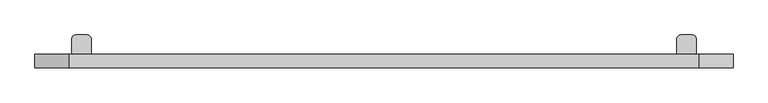
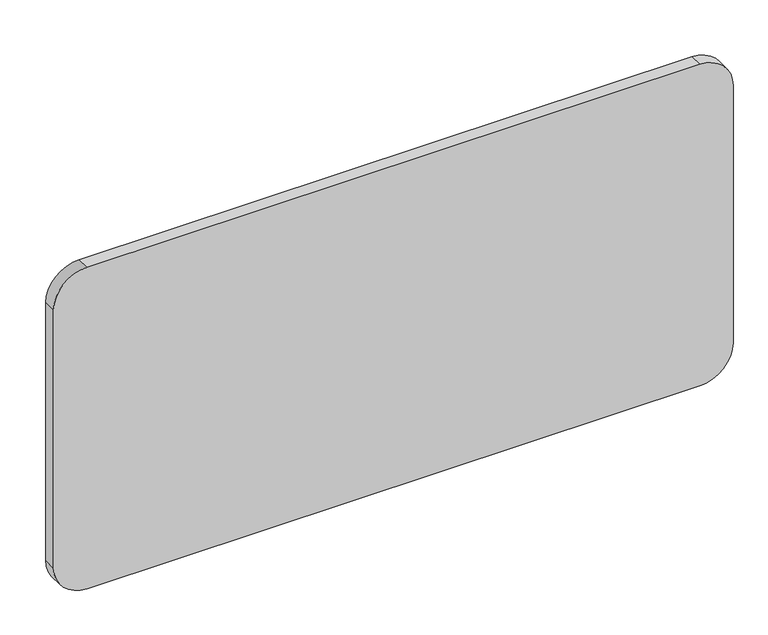
"""IFC4 building model written with IfcOpenShell, lengths in millimetres: furniture geometry."""

from ifc_helpers import new_model, si_unit, point, frame, frame_2d, origin, place, context, project, spatial, polyline, circle_curve, trimmed, segment, composite_curve, outline, extrude, source, transform, mapped, element, save
from ifc_brep_helpers import plane_surface, cylinder_surface, revolved_surface, advanced_brep


def furniture_6fd92be5(model_context):
    return source(origin(), model_context, "Body", "SolidModel", [
        advanced_brep(
        [(1325.5425429, 47.5118173, 752.9985146), (1325.5425429, 44.45, 752.9985146), (1375.5425432, 44.45, 752.9985146), (1375.5425432, 47.5118173, 752.9985146), (1375.5425432, 47.5118173, 462.9546875), (1365.5425359, 47.5118173, 452.9984759), (1335.5425502, 47.5118173, 452.9984759), (1325.5425429, 47.5118173, 462.9984833), (1375.5425432, 44.45, 462.9546875), (1325.5425429, 44.45, 462.9546875), (1335.5425502, 44.45, 452.9984759), (1365.5425359, 44.45, 452.9984759)],
        [
            (0, 1),
            (1, 2),
            (2, 3),
            (3, 0),
            (3, 4),
            (4, 5, circle_curve(frame((1365.5425359, 47.5118173, 462.9984833), z_axis=(0.0, 1.0, 0.0), x_axis=(1.0, 0.0, 0.0)), 10.0000073)),
            (5, 6),
            (6, 7, circle_curve(frame((1335.5425502, 47.5118173, 462.9984833), z_axis=(0.0, 1.0, 0.0), x_axis=(1.0, 0.0, 0.0)), 10.0000073)),
            (7, 0),
            (2, 8),
            (8, 4),
            (1, 9),
            (9, 10, circle_curve(frame((1335.5425502, 44.45, 462.9984833), z_axis=(0.0, -1.0, 0.0), x_axis=(1.0, 0.0, 0.0)), 10.0000073)),
            (10, 11),
            (11, 8, circle_curve(frame((1365.5425359, 44.45, 462.9984833), z_axis=(0.0, -1.0, 0.0), x_axis=(1.0, 0.0, 0.0)), 10.0000073)),
            (7, 9),
            (6, 10),
            (5, 11),
        ],
        [
            plane_surface(frame((1325.5425429, 47.5118173, 752.9985146), z_axis=(0.0, 0.0, 1.0), x_axis=(0.0, -1.0, 0.0))),
            plane_surface(frame((1375.5425432, 47.5118173, 752.9985146), z_axis=(0.0, 1.0, 0.0), x_axis=(0.0, 0.0, -1.0))),
            plane_surface(frame((1375.5425432, 44.45, 752.9985146), z_axis=(1.0, 0.0, 0.0), x_axis=(0.0, 0.0, -1.0))),
            plane_surface(frame((1325.5425429, 44.45, 752.9985146), z_axis=(0.0, -1.0, 0.0), x_axis=(0.0, 0.0, -1.0))),
            plane_surface(frame((1325.5425429, 47.5118173, 752.9985146), z_axis=(-1.0, 0.0, 0.0), x_axis=(0.0, 0.0, -1.0))),
            cylinder_surface(frame((1335.5425502, 44.45, 462.9984833), z_axis=(0.0, 1.0, 0.0), x_axis=(1.0, 0.0, 0.0)), 10.0000073),
            plane_surface(frame((1365.5425359, 47.5118173, 452.9984759), z_axis=(0.0, 0.0, -1.0), x_axis=(0.0, -1.0, 0.0))),
            cylinder_surface(frame((1365.5425359, 44.45, 462.9984833), z_axis=(0.0, 1.0, 0.0), x_axis=(1.0, 0.0, 0.0)), 10.0000073),
        ],
        [
            (0, [[1, 2, 3, 4]]),
            (1, [[-4, 5, 6, 7, 8, 9]]),
            (2, [[-3, 10, 11, -5]]),
            (3, [[-2, 12, 13, 14, 15, -10]]),
            (4, [[-1, -9, 16, -12]]),
            (5, [[-8, 17, -13, -16]]),
            (6, [[-7, 18, -14, -17]]),
            (7, [[-6, -11, -15, -18]]),
        ],
    ),
        extrude(outline(composite_curve([segment(trimmed(circle_curve(frame_2d((1350.542543, 69.5118189)), 4.0000058), [point((1354.5425489, 69.5118189))], [point((1346.5425372, 69.5118189))], False, "CARTESIAN"), True, "CONTINUOUS"), segment(trimmed(circle_curve(frame_2d((1350.542543, 69.5118189)), 4.0000058), [point((1346.5425372, 69.5118189))], [point((1354.5425489, 69.5118189))], False, "CARTESIAN"), True, "CONTINUOUS")], self_intersect=False)), frame((0.0, 0.0, 689.9985083), z_axis=(0.0, 0.0, 1.0), x_axis=(1.0, 0.0, 0.0)), (0.0, 0.0, 1.0), 13.0000059),
        extrude(outline(composite_curve([segment(trimmed(circle_curve(frame_2d((1350.542543, 69.5118189)), 7.7753653), [point((1358.3179084, 69.5118189))], [point((1342.7671777, 69.5118189))], False, "CARTESIAN"), True, "CONTINUOUS"), segment(trimmed(circle_curve(frame_2d((1350.542543, 69.5118189)), 7.7753653), [point((1342.7671777, 69.5118189))], [point((1358.3179084, 69.5118189))], False, "CARTESIAN"), True, "CONTINUOUS")], self_intersect=False)), frame((0.0, 0.0, 702.9985142), z_axis=(0.0, 0.0, 1.0), x_axis=(1.0, 0.0, 0.0)), (0.0, 0.0, 1.0), 10.0000437),
        extrude(outline(composite_curve([segment(trimmed(circle_curve(frame_2d((1350.542543, 69.5118189)), 14.974039), [point((1365.5165821, 69.5118189))], [point((1335.568504, 69.5118189))], False, "CARTESIAN"), True, "CONTINUOUS"), segment(trimmed(circle_curve(frame_2d((1350.542543, 69.5118189)), 14.974039), [point((1335.568504, 69.5118189))], [point((1365.5165821, 69.5118189))], False, "CARTESIAN"), True, "CONTINUOUS")], self_intersect=False)), frame((0.0, 0.0, 718.7038782), z_axis=(0.0, 0.0, 1.0), x_axis=(1.0, 0.0, 0.0)), (0.0, 0.0, 1.0), 2.0950029),
        advanced_brep(
        [(1365.5165821, 69.5118189, 718.7038782), (1335.568504, 69.5118189, 718.7038782), (1354.5425489, 69.5118189, 715.9985201), (1346.5425372, 69.5118189, 715.9985201)],
        [
            (0, 1, circle_curve(frame((1350.542543, 69.5118189, 718.7038782), z_axis=(0.0, 0.0, 1.0), x_axis=(1.0, 0.0, 0.0)), 14.974039)),
            (1, 0, circle_curve(frame((1350.542543, 69.5118189, 718.7038782), z_axis=(0.0, 0.0, 1.0), x_axis=(-1.0, 0.0, 0.0)), 14.974039)),
            (2, 3, circle_curve(frame((1350.542543, 69.5118189, 715.9985201), z_axis=(0.0, 0.0, -1.0), x_axis=(-1.0, 0.0, 0.0)), 4.0000058)),
            (3, 2, circle_curve(frame((1350.542543, 69.5118189, 715.9985201), z_axis=(0.0, 0.0, -1.0), x_axis=(1.0, 0.0, 0.0)), 4.0000058)),
            (2, 0),
            (1, 3),
        ],
        [
            plane_surface(frame((1350.542543, 69.5118189, 718.7038782), z_axis=(0.0, 0.0, 1.0), x_axis=(0.0, 1.0, 0.0))),
            plane_surface(frame((1350.542543, 69.5118189, 715.9985201), z_axis=(0.0, 0.0, -1.0), x_axis=(0.0, 1.0, 0.0))),
            revolved_surface(polyline([(1354.5425488149297, 69.5118189, 715.9985201), (1365.5165821, 69.5118189, 718.7038782)]), (1350.542543, 69.5118189, 715.0124243), (0.0, 0.0, 1.0)),
            revolved_surface(polyline([(1346.5425372117832, 69.5118189, 715.9985201), (1335.568504, 69.5118189, 718.7038782)]), (1350.542543, 69.5118189, 715.0124243), (0.0, 0.0, 1.0)),
        ],
        [
            (0, [[1, 2]]),
            (1, [[3, 4]]),
            (2, [[-3, 5, -2, 6]]),
            (3, [[-4, -6, -1, -5]]),
        ],
    ),
        extrude(outline(composite_curve([segment(trimmed(circle_curve(frame_2d((1365.3401849, 84.3097802)), 10.2023583), [point((1365.3401849, 94.5121385))], [point((1375.5425432, 84.3097802))], False, "CARTESIAN"), True, "CONTINUOUS"), segment(polyline([(1375.5425432, 84.3097802), (1375.5425432, 47.5118173), (1325.5425429, 47.5118173), (1325.5425429, 84.324975)]), True, "CONTINUOUS"), segment(trimmed(circle_curve(frame_2d((1335.7297063, 84.324975)), 10.1871635), [point((1325.5425429, 84.324975))], [point((1335.7297063, 94.5121385))], False, "CARTESIAN"), True, "CONTINUOUS"), segment(polyline([(1335.7297063, 94.5121385), (1365.3401849, 94.5121385)]), True, "CONTINUOUS")], self_intersect=False)), frame((0.0, 0.0, 712.9985579), z_axis=(0.0, 0.0, 1.0), x_axis=(1.0, 0.0, 0.0)), (0.0, 0.0, 1.0), 2.9999622),
        extrude(outline(composite_curve([segment(trimmed(circle_curve(frame_2d((1365.3401849, 84.3094607)), 10.2023583), [point((1365.3401849, 94.5118191))], [point((1375.5425432, 84.3094607))], False, "CARTESIAN"), True, "CONTINUOUS"), segment(polyline([(1375.5425432, 84.3094607), (1375.5425432, 44.45), (1325.5425429, 44.45), (1325.5425429, 84.3246556)]), True, "CONTINUOUS"), segment(trimmed(circle_curve(frame_2d((1335.7297063, 84.3246556)), 10.1871635), [point((1325.5425429, 84.3246556))], [point((1335.7297063, 94.5118191))], False, "CARTESIAN"), True, "CONTINUOUS"), segment(polyline([(1335.7297063, 94.5118191), (1365.3401849, 94.5118191)]), True, "CONTINUOUS")], self_intersect=False)), frame((0.0, 0.0, 752.9985146), z_axis=(0.0, 0.0, 1.0), x_axis=(1.0, 0.0, 0.0)), (0.0, 0.0, 1.0), 2.9999622),
        advanced_brep(
        [(-184.5554351, 47.5118173, 462.9984833), (-194.5554424, 47.5118173, 452.9984759), (-224.5554281, 47.5118173, 452.9984759), (-234.5554355, 47.5118173, 462.9984833), (-234.5554355, 47.5118173, 712.9985579), (-184.5554351, 47.5118173, 712.9985579), (-234.5554355, 47.5118173, 752.9985146), (-184.5554351, 47.5118173, 752.9985146), (-184.5554351, 47.5118173, 715.9985201), (-234.5554355, 47.5118173, 715.9985201), (-234.5554355, 44.45, 462.9984833), (-224.5554281, 44.45, 452.9984759), (-194.5554424, 44.45, 452.9984759), (-184.5554351, 44.45, 462.9984833), (-184.5554351, 44.45, 755.9984768), (-234.5554355, 44.45, 755.9984768), (-234.5554355, 84.3094607, 755.9984768), (-234.5554355, 84.3094607, 752.9985146), (-234.5554355, 84.3097802, 715.9985201), (-234.5554355, 84.3097802, 712.9985579), (-184.5554351, 84.324975, 712.9985579), (-184.5554351, 84.324975, 715.9985201), (-184.5554351, 84.3246556, 752.9985146), (-184.5554351, 84.3246556, 755.9984768), (-224.3530771, 94.5118191, 755.9984768), (-194.7425986, 94.5118191, 755.9984768), (-224.3530771, 94.5118191, 752.9985146), (-194.7425986, 94.5118191, 752.9985146), (-224.3530771, 94.5121385, 715.9985201), (-194.7425986, 94.5121385, 715.9985201), (-205.5554294, 69.5118189, 715.9985201), (-213.5554411, 69.5118189, 715.9985201), (-224.3530771, 94.5121385, 712.9985579), (-194.7425986, 94.5121385, 712.9985579), (-217.3308006, 69.5118189, 712.9985579), (-201.7800699, 69.5118189, 712.9985579), (-224.5294743, 69.5118189, 720.7988811), (-194.5813962, 69.5118189, 720.7988811), (-224.5294743, 69.5118189, 718.7038782), (-194.5813962, 69.5118189, 718.7038782), (-217.3308006, 69.5118189, 702.9985142), (-201.7800699, 69.5118189, 702.9985142), (-213.5554411, 69.5118189, 702.9985142), (-205.5554294, 69.5118189, 702.9985142), (-213.5554411, 69.5118189, 689.9985083), (-205.5554294, 69.5118189, 689.9985083)],
        [
            (0, 1, circle_curve(frame((-194.5554424, 47.5118173, 462.9984833), z_axis=(0.0, 1.0, 0.0), x_axis=(-1.0, 0.0, 0.0)), 10.0000073)),
            (1, 2),
            (2, 3, circle_curve(frame((-224.5554281, 47.5118173, 462.9984833), z_axis=(0.0, 1.0, 0.0), x_axis=(-1.0, 0.0, 0.0)), 10.0000073)),
            (3, 4),
            (4, 5),
            (5, 0),
            (6, 7),
            (7, 8),
            (8, 9),
            (9, 6),
            (10, 11, circle_curve(frame((-224.5554281, 44.45, 462.9984833), z_axis=(0.0, -1.0, 0.0), x_axis=(-1.0, 0.0, 0.0)), 10.0000073)),
            (11, 12),
            (12, 13, circle_curve(frame((-194.5554424, 44.45, 462.9984833), z_axis=(0.0, -1.0, 0.0), x_axis=(-1.0, 0.0, 0.0)), 10.0000073)),
            (13, 14),
            (14, 15),
            (15, 10),
            (0, 13),
            (12, 1),
            (11, 2),
            (10, 3),
            (15, 16),
            (16, 17),
            (17, 6),
            (9, 18),
            (18, 19),
            (19, 4),
            (5, 20),
            (20, 21),
            (21, 8),
            (7, 22),
            (22, 23),
            (23, 14),
            (24, 16, circle_curve(frame((-224.3530771, 84.3094607, 755.9984768), z_axis=(0.0, 0.0, 1.0), x_axis=(1.0, 0.0, 0.0)), 10.2023583)),
            (23, 25, circle_curve(frame((-194.7425986, 84.3246556, 755.9984768), z_axis=(0.0, 0.0, 1.0), x_axis=(1.0, 0.0, 0.0)), 10.1871635)),
            (25, 24),
            (26, 27),
            (27, 22, circle_curve(frame((-194.7425986, 84.3246556, 752.9985146), z_axis=(0.0, 0.0, -1.0), x_axis=(1.0, 0.0, 0.0)), 10.1871635)),
            (17, 26, circle_curve(frame((-224.3530771, 84.3094607, 752.9985146), z_axis=(0.0, 0.0, -1.0), x_axis=(1.0, 0.0, 0.0)), 10.2023583)),
            (24, 26),
            (27, 25),
            (28, 18, circle_curve(frame((-224.3530771, 84.3097802, 715.9985201), z_axis=(0.0, 0.0, 1.0), x_axis=(1.0, 0.0, 0.0)), 10.2023583)),
            (21, 29, circle_curve(frame((-194.7425986, 84.324975, 715.9985201), z_axis=(0.0, 0.0, 1.0), x_axis=(1.0, 0.0, 0.0)), 10.1871635)),
            (29, 28),
            (30, 31, circle_curve(frame((-209.5554353, 69.5118189, 715.9985201), z_axis=(0.0, 0.0, -1.0), x_axis=(-1.0, 0.0, 0.0)), 4.0000058)),
            (31, 30, circle_curve(frame((-209.5554353, 69.5118189, 715.9985201), z_axis=(0.0, 0.0, -1.0), x_axis=(1.0, 0.0, 0.0)), 4.0000058)),
            (32, 33),
            (33, 20, circle_curve(frame((-194.7425986, 84.324975, 712.9985579), z_axis=(0.0, 0.0, -1.0), x_axis=(1.0, 0.0, 0.0)), 10.1871635)),
            (19, 32, circle_curve(frame((-224.3530771, 84.3097802, 712.9985579), z_axis=(0.0, 0.0, -1.0), x_axis=(1.0, 0.0, 0.0)), 10.2023583)),
            (34, 35, circle_curve(frame((-209.5554353, 69.5118189, 712.9985579), z_axis=(0.0, 0.0, 1.0), x_axis=(1.0, 0.0, 0.0)), 7.7753653)),
            (35, 34, circle_curve(frame((-209.5554353, 69.5118189, 712.9985579), z_axis=(0.0, 0.0, 1.0), x_axis=(1.0, 0.0, 0.0)), 7.7753653)),
            (28, 32),
            (33, 29),
            (36, 37, circle_curve(frame((-209.5554353, 69.5118189, 720.7988811), z_axis=(0.0, 0.0, 1.0), x_axis=(1.0, 0.0, 0.0)), 14.974039)),
            (37, 36, circle_curve(frame((-209.5554353, 69.5118189, 720.7988811), z_axis=(0.0, 0.0, 1.0), x_axis=(1.0, 0.0, 0.0)), 14.974039)),
            (36, 38),
            (38, 39, circle_curve(frame((-209.5554353, 69.5118189, 718.7038782), z_axis=(0.0, 0.0, 1.0), x_axis=(1.0, 0.0, 0.0)), 14.974039)),
            (39, 37),
            (39, 38, circle_curve(frame((-209.5554353, 69.5118189, 718.7038782), z_axis=(0.0, 0.0, 1.0), x_axis=(1.0, 0.0, 0.0)), 14.974039)),
            (40, 41, circle_curve(frame((-209.5554353, 69.5118189, 702.9985142), z_axis=(0.0, 0.0, -1.0), x_axis=(1.0, 0.0, 0.0)), 7.7753653)),
            (41, 40, circle_curve(frame((-209.5554353, 69.5118189, 702.9985142), z_axis=(0.0, 0.0, -1.0), x_axis=(1.0, 0.0, 0.0)), 7.7753653)),
            (42, 43, circle_curve(frame((-209.5554353, 69.5118189, 702.9985142), z_axis=(0.0, 0.0, 1.0), x_axis=(1.0, 0.0, 0.0)), 4.0000058)),
            (43, 42, circle_curve(frame((-209.5554353, 69.5118189, 702.9985142), z_axis=(0.0, 0.0, 1.0), x_axis=(1.0, 0.0, 0.0)), 4.0000058)),
            (41, 35),
            (34, 40),
            (44, 45, circle_curve(frame((-209.5554353, 69.5118189, 689.9985083), z_axis=(0.0, 0.0, -1.0), x_axis=(1.0, 0.0, 0.0)), 4.0000058)),
            (45, 44, circle_curve(frame((-209.5554353, 69.5118189, 689.9985083), z_axis=(0.0, 0.0, -1.0), x_axis=(1.0, 0.0, 0.0)), 4.0000058)),
            (45, 43),
            (42, 44),
            (30, 39),
            (38, 31),
        ],
        [
            plane_surface(frame((-184.5554351, 47.5118173, 462.9984833), z_axis=(0.0, 1.0, 0.0), x_axis=(1.0, 0.0, 0.0))),
            plane_surface(frame((-184.5554351, 44.45, 462.9984833), z_axis=(0.0, -1.0, 0.0), x_axis=(-1.0, 0.0, 0.0))),
            cylinder_surface(frame((-194.5554424, 44.45, 462.9984833), z_axis=(0.0, 1.0, 0.0), x_axis=(-1.0, 0.0, 0.0)), 10.0000073),
            plane_surface(frame((-194.5554424, 47.5118173, 452.9984759), z_axis=(0.0, 0.0, -1.0), x_axis=(0.0, -1.0, 0.0))),
            cylinder_surface(frame((-224.5554281, 44.45, 462.9984833), z_axis=(0.0, 1.0, 0.0), x_axis=(-1.0, 0.0, 0.0)), 10.0000073),
            plane_surface(frame((-234.5554355, 47.5118173, 752.9985146), z_axis=(-1.0, 0.0, 0.0), x_axis=(0.0, 0.0, -1.0))),
            plane_surface(frame((-184.5554351, 44.45, 752.9985146), z_axis=(1.0, 0.0, 0.0), x_axis=(0.0, 0.0, -1.0))),
            plane_surface(frame((-214.1507188, 84.3094607, 755.9984768), z_axis=(0.0, 0.0, 1.0), x_axis=(0.0, 1.0, 0.0))),
            plane_surface(frame((-214.1507188, 84.3094607, 752.9985146), z_axis=(0.0, 0.0, -1.0), x_axis=(0.0, -1.0, 0.0))),
            cylinder_surface(frame((-224.3530771, 84.3094607, 752.9985146), z_axis=(0.0, 0.0, 1.0), x_axis=(1.0, 0.0, 0.0)), 10.2023583),
            cylinder_surface(frame((-194.7425986, 84.3246556, 752.9985146), z_axis=(0.0, 0.0, 1.0), x_axis=(1.0, 0.0, 0.0)), 10.1871635),
            plane_surface(frame((-194.7425986, 94.5118191, 755.9984768), z_axis=(0.0, 1.0, 0.0), x_axis=(0.0, 0.0, -1.0))),
            plane_surface(frame((-214.1507188, 84.3097802, 715.9985201), z_axis=(0.0, 0.0, 1.0), x_axis=(0.0, 1.0, 0.0))),
            plane_surface(frame((-214.1507188, 84.3097802, 712.9985579), z_axis=(0.0, 0.0, -1.0), x_axis=(0.0, -1.0, 0.0))),
            cylinder_surface(frame((-224.3530771, 84.3097802, 712.9985579), z_axis=(0.0, 0.0, 1.0), x_axis=(1.0, 0.0, 0.0)), 10.2023583),
            cylinder_surface(frame((-194.7425986, 84.324975, 712.9985579), z_axis=(0.0, 0.0, 1.0), x_axis=(1.0, 0.0, 0.0)), 10.1871635),
            plane_surface(frame((-194.7425986, 94.5121385, 715.9985201), z_axis=(0.0, 1.0, 0.0), x_axis=(0.0, 0.0, -1.0))),
            plane_surface(frame((-194.5813962, 69.5118189, 720.7988811), z_axis=(0.0, 0.0, 1.0), x_axis=(0.0, 1.0, 0.0))),
            cylinder_surface(frame((-209.5554353, 69.5118189, 718.7038782), z_axis=(0.0, 0.0, 1.0), x_axis=(1.0, 0.0, 0.0)), 14.974039),
            plane_surface(frame((-201.7800699, 69.5118189, 702.9985142), z_axis=(0.0, 0.0, -1.0), x_axis=(0.0, -1.0, 0.0))),
            cylinder_surface(frame((-209.5554353, 69.5118189, 702.9985142), z_axis=(0.0, 0.0, 1.0), x_axis=(1.0, 0.0, 0.0)), 7.7753653),
            plane_surface(frame((-205.5554294, 69.5118189, 689.9985083), z_axis=(0.0, 0.0, -1.0), x_axis=(0.0, -1.0, 0.0))),
            cylinder_surface(frame((-209.5554353, 69.5118189, 689.9985083), z_axis=(0.0, 0.0, 1.0), x_axis=(1.0, 0.0, 0.0)), 4.0000058),
            revolved_surface(polyline([(-205.55542948507028, 69.5118189, 715.9985201), (-194.5813962, 69.5118189, 718.7038782)]), (-209.5554353, 69.5118189, 715.0124243), (0.0, 0.0, 1.0)),
        ],
        [
            (0, [[1, 2, 3, 4, 5, 6]]),
            (0, [[7, 8, 9, 10]]),
            (1, [[11, 12, 13, 14, 15, 16]]),
            (2, [[-1, 17, -13, 18]]),
            (3, [[-2, -18, -12, 19]]),
            (4, [[-3, -19, -11, 20]]),
            (5, [[-20, -16, 21, 22, 23, -10, 24, 25, 26, -4]]),
            (6, [[-17, -6, 27, 28, 29, -8, 30, 31, 32, -14]]),
            (7, [[33, -21, -15, -32, 34, 35]]),
            (8, [[36, 37, -30, -7, -23, 38]]),
            (9, [[-33, 39, -38, -22]]),
            (10, [[-34, -31, -37, 40]]),
            (11, [[-35, -40, -36, -39]]),
            (12, [[41, -24, -9, -29, 42, 43], [44, 45]]),
            (13, [[46, 47, -27, -5, -26, 48], [49, 50]]),
            (14, [[-41, 51, -48, -25]]),
            (15, [[-42, -28, -47, 52]]),
            (16, [[-43, -52, -46, -51]]),
            (17, [[53, 54]]),
            (18, [[-53, 55, 56, 57]]),
            (18, [[-54, -57, 58, -55]]),
            (19, [[59, 60], [61, 62]]),
            (20, [[-60, 63, -49, 64]]),
            (20, [[-59, -64, -50, -63]]),
            (21, [[65, 66]]),
            (22, [[-66, 67, -61, 68]]),
            (22, [[-65, -68, -62, -67]]),
            (23, [[69, -56, 70, -44]]),
            (23, [[-69, -45, -70, -58]]),
        ],
    ),
        extrude(outline(composite_curve([segment(trimmed(circle_curve(frame_2d((915.7890625, 1381.6564445)), 88.9), [point((915.7890625, 1470.5564445))], [point((1004.6890625, 1381.6564445))], False, "CARTESIAN"), True, "CONTINUOUS"), segment(polyline([(1004.6890625, 1381.6564445), (1004.6890625, -240.6693367)]), True, "CONTINUOUS"), segment(trimmed(circle_curve(frame_2d((915.7890625, -240.6693367)), 88.9), [point((1004.6890625, -240.6693367))], [point((915.7890625, -329.5693367))], False, "CARTESIAN"), True, "CONTINUOUS"), segment(polyline([(915.7890625, -329.5693367), (193.675, -329.5693367)]), True, "CONTINUOUS"), segment(trimmed(circle_curve(frame_2d((193.675, -240.6693367)), 88.9), [point((193.675, -329.5693367))], [point((104.775, -240.6693367))], False, "CARTESIAN"), True, "CONTINUOUS"), segment(polyline([(104.775, -240.6693367), (104.775, 1381.6564445)]), True, "CONTINUOUS"), segment(trimmed(circle_curve(frame_2d((193.675, 1381.6564445)), 88.9), [point((104.775, 1381.6564445))], [point((193.675, 1470.5564445))], False, "CARTESIAN"), True, "CONTINUOUS"), segment(polyline([(193.675, 1470.5564445), (915.7890625, 1470.5564445)]), True, "CONTINUOUS")], self_intersect=False)), frame((0.0, 9.4257812, 0.0), z_axis=(0.0, 1.0, 0.0), x_axis=(0.0, 0.0, 1.0)), (0.0, 0.0, 1.0), 35.0242187),
    ])


if __name__ == "__main__":
    model = new_model("IFC4")
    model_context = context("Model", 3, world=origin())
    ifc_project = project(units=[si_unit("LENGTHUNIT", "METRE", prefix="MILLI")], contexts=[model_context])
    site = spatial("IfcSite", under=ifc_project)
    building = spatial("IfcBuilding", under=site)
    placement = place(None, origin())
    furniture_shape = furniture_6fd92be5(model_context)
    element("IfcFurniture", 1, at=placement, inside=building, context=model_context, shape_type="MappedRepresentation", body=[
        mapped(furniture_shape, transform((0.0, 0.0, 0.0), x_axis=(1.0, 0.0, 0.0), y_axis=(0.0, 1.0, 0.0), z_axis=(0.0, 0.0, 1.0))),
    ])
    save(model, "model.ifc")
